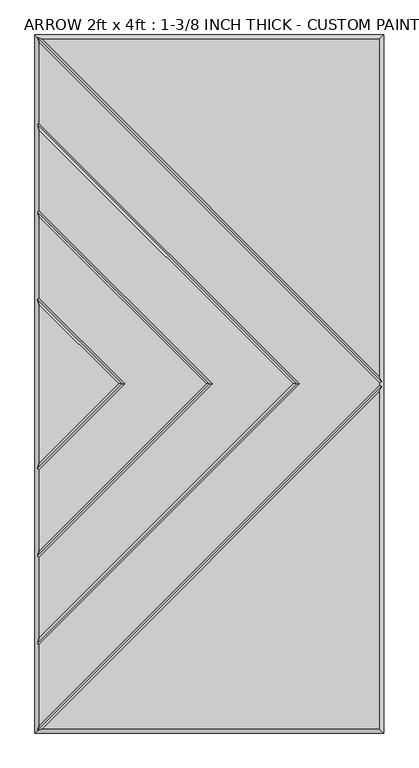
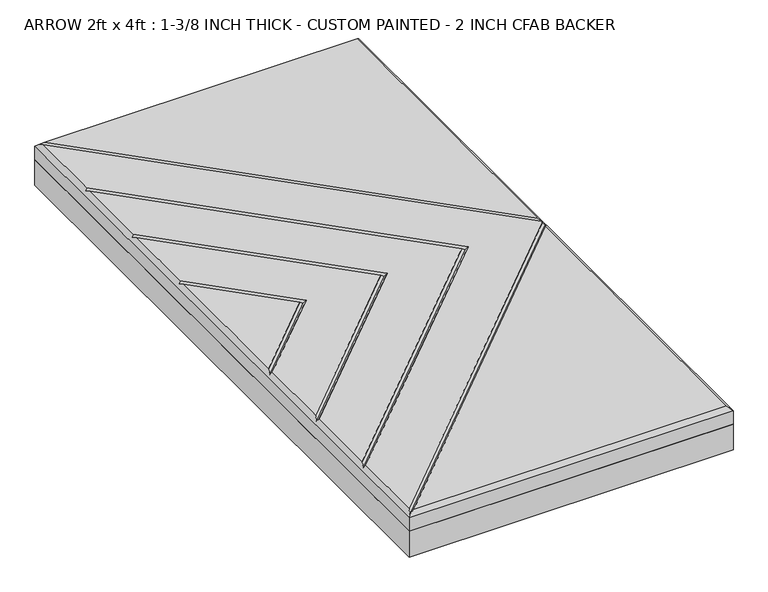
"""IFC4 building model written with IfcOpenShell, lengths in millimetres: proxy geometry, ARROW 2ft x 4ft : 1-3/8 INCH THICK - CUSTOM PAINTED - 2 INCH CFAB BACKER."""

from ifc_helpers import new_model, si_unit, frame, origin, place, context, project, spatial, polyline, outline, extrude, faceted_brep, source, transform, mapped, element, save


def arrow_2ft_x_4ft_1_3_8_inch_thick_custom_painted_2_inch_cfab_7124e513(model_context):
    return source(origin(), model_context, "Body", "SolidModel", [
        extrude(outline(polyline([(-304.8, 609.6), (304.8, 609.6), (304.8, -609.6), (-304.8, -609.6), (-304.8, 609.6)])), frame((0.0, 0.0, -50.8), z_axis=(0.0, 0.0, 1.0), x_axis=(1.0, 0.0, 0.0)), (0.0, 0.0, 1.0), 50.8),
        faceted_brep([(296.799, -2.3434386, 34.925), (296.799, 2.3434386, 34.925), (-296.799, 595.9414386, 34.925), (-296.799, 454.8565868, 34.925), (158.0575614, 2.54e-05, 34.925), (-296.799, -454.856536, 34.925), (-296.799, -595.9414386, 34.925), (296.799, 601.599, 34.925), (-291.1414386, 601.599, 34.925), (296.799, 13.6585614, 34.925), (-291.1414386, -601.599, 34.925), (296.799, -601.599, 34.925), (296.799, -13.6585614, 34.925), (146.7424386, 2.54e-05, 34.925), (-296.799, 443.541464, 34.925), (-296.799, 302.4565868, 34.925), (5.6575614, 2.54e-05, 34.925), (-296.799, -302.456536, 34.925), (-296.799, -443.5414132, 34.925), (-5.6575614, 2.54e-05, 34.925), (-296.799, 291.141464, 34.925), (-296.799, 150.0565868, 34.925), (-146.7424386, 2.54e-05, 34.925), (-296.799, -150.056536, 34.925), (-296.799, -291.1414132, 34.925), (-296.799, 138.741464, 34.925), (-296.799, -138.7414132, 34.925), (-158.0575614, 2.54e-05, 34.925), (-304.8, 609.6, 0.0), (304.8, 609.6, 0.0), (304.8, -609.6, 0.0), (-304.8, -609.6, 0.0), (-304.8, -609.6, 26.924), (-304.8, 609.6, 26.924), (304.8, -609.6, 26.924), (304.8, 609.6, 26.924), (-300.7995, 605.5995, 30.9245), (-300.7995, -605.5995, 30.9245), (-300.7995, -453.1994746, 30.9245), (-300.7995, -300.7994746, 30.9245), (-300.7995, -148.3994746, 30.9245), (-300.7995, 148.3995254, 30.9245), (-300.7995, 300.7995254, 30.9245), (-300.7995, 453.1995254, 30.9245), (300.7995, 4.0005, 30.9245), (300.7995, -4.0005, 30.9245), (152.4, 2.54e-05, 30.9245), (0.0, 2.54e-05, 30.9245), (-152.4, 2.54e-05, 30.9245)], [[[0, 1, 2, 3, 4, 5, 6]], [[7, 8, 9]], [[10, 11, 12]], [[13, 14, 15, 16, 17, 18]], [[19, 20, 21, 22, 23, 24]], [[25, 26, 27]], [[28, 29, 30, 31]], [[28, 31, 32, 33]], [[31, 30, 34, 32]], [[30, 29, 35, 34]], [[29, 28, 33, 35]], [[7, 35, 33, 36, 8]], [[33, 32, 37, 6, 5, 38, 18, 17, 39, 24, 23, 40, 26, 25, 41, 21, 20, 42, 15, 14, 43, 3, 2, 36]], [[34, 11, 10, 37, 32]], [[35, 7, 9, 44, 1, 0, 45, 12, 11, 34]], [[36, 44, 9, 8]], [[44, 36, 2, 1]], [[45, 37, 10, 12]], [[37, 45, 0, 6]], [[46, 4, 3, 43]], [[13, 46, 43, 14]], [[4, 46, 38, 5]], [[46, 13, 18, 38]], [[47, 16, 15, 42]], [[19, 47, 42, 20]], [[16, 47, 39, 17]], [[47, 19, 24, 39]], [[48, 22, 21, 41]], [[27, 48, 41, 25]], [[22, 48, 40, 23]], [[48, 27, 26, 40]]]),
    ])


if __name__ == "__main__":
    model = new_model("IFC4")
    model_context = context("Model", 3, world=origin())
    ifc_project = project(units=[si_unit("LENGTHUNIT", "METRE", prefix="MILLI")], contexts=[model_context])
    site = spatial("IfcSite", under=ifc_project)
    building = spatial("IfcBuilding", under=site)
    placement = place(None, origin())
    arrow_2ft_x_4ft_1_3_8_inch_thick_custom_painted_2_inch_cfab_shape = arrow_2ft_x_4ft_1_3_8_inch_thick_custom_painted_2_inch_cfab_7124e513(model_context)
    element("IfcBuildingElementProxy", 1, Name="ARROW 2ft x 4ft : 1-3/8 INCH THICK - CUSTOM PAINTED - 2 INCH CFAB BACKER", ObjectType="ARROW 2ft x 4ft : 1-3/8 INCH THICK - CUSTOM PAINTED - 2 INCH CFAB BACKER", at=placement, inside=building, context=model_context, shape_type="MappedRepresentation", body=[
        mapped(arrow_2ft_x_4ft_1_3_8_inch_thick_custom_painted_2_inch_cfab_shape, transform((0.0, 0.0, 0.0), x_axis=(1.0, 0.0, 0.0), y_axis=(0.0, 1.0, 0.0), z_axis=(0.0, 0.0, 1.0))),
    ])
    save(model, "model.ifc")
